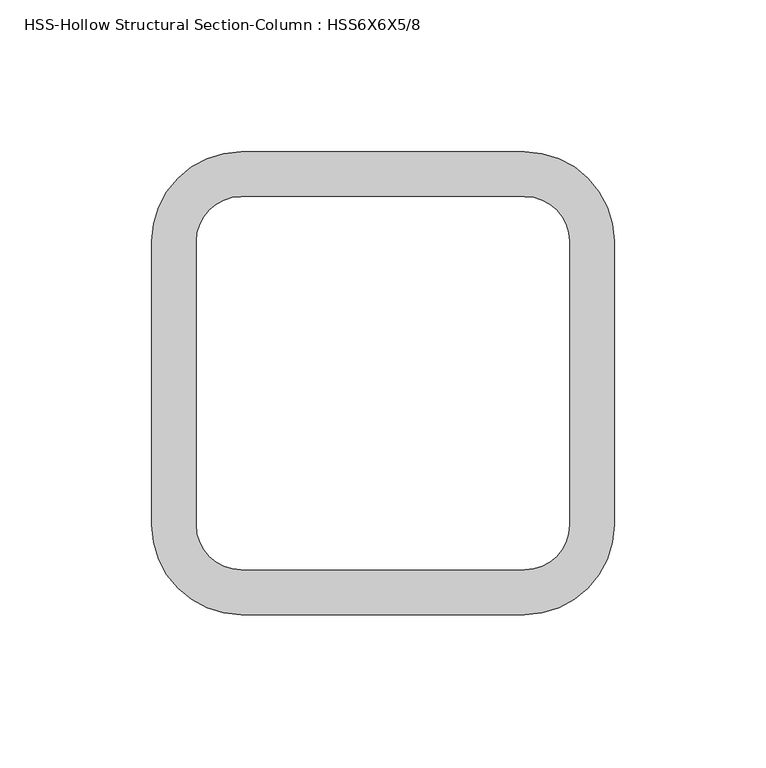
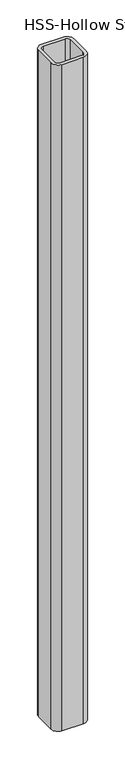
"""IFC4 building model written with IfcOpenShell, lengths in millimetres: column geometry, HSS-Hollow Structural Section-Column : HSS6X6X5/8."""

from ifc_helpers import new_model, si_unit, point, frame, frame_2d, origin, place, context, project, spatial, polyline, circle_curve, trimmed, segment, composite_curve, outline, extrude, source, transform, mapped, element, save


def hss_hollow_structural_section_column_hss6x6x5_8_e76e96aa(model_context):
    return source(origin(), model_context, "Body", "SweptSolid", [
        extrude(outline(composite_curve([segment(trimmed(circle_curve(frame_2d((46.6852, 46.6852)), 29.5148), [point((46.6852, 76.2))], [point((76.2, 46.6852))], False, "CARTESIAN"), True, "CONTINUOUS"), segment(polyline([(76.2, 46.6852), (76.2, -46.6852)]), True, "CONTINUOUS"), segment(trimmed(circle_curve(frame_2d((46.6852, -46.6852)), 29.5148), [point((76.2, -46.6852))], [point((46.6852, -76.2))], False, "CARTESIAN"), True, "CONTINUOUS"), segment(polyline([(46.6852, -76.2), (-46.6852, -76.2)]), True, "CONTINUOUS"), segment(trimmed(circle_curve(frame_2d((-46.6852, -46.6852)), 29.5148), [point((-46.6852, -76.2))], [point((-76.2, -46.6852))], False, "CARTESIAN"), True, "CONTINUOUS"), segment(polyline([(-76.2, -46.6852), (-76.2, 46.6852)]), True, "CONTINUOUS"), segment(trimmed(circle_curve(frame_2d((-46.6852, 46.6852)), 29.5148), [point((-76.2, 46.6852))], [point((-46.6852, 76.2))], False, "CARTESIAN"), True, "CONTINUOUS"), segment(polyline([(-46.6852, 76.2), (46.6852, 76.2)]), True, "CONTINUOUS")], self_intersect=False), holes=[composite_curve([segment(polyline([(46.6852, 61.4426), (-46.6852, 61.4426)]), True, "CONTINUOUS"), segment(trimmed(circle_curve(frame_2d((-46.6852, 46.6852)), 14.7574), [point((-46.6852, 61.4426))], [point((-61.4426, 46.6852))], True, "CARTESIAN"), True, "CONTINUOUS"), segment(polyline([(-61.4426, 46.6852), (-61.4426, -46.6852)]), True, "CONTINUOUS"), segment(trimmed(circle_curve(frame_2d((-46.6852, -46.6852)), 14.7574), [point((-61.4426, -46.6852))], [point((-46.6852, -61.4426))], True, "CARTESIAN"), True, "CONTINUOUS"), segment(polyline([(-46.6852, -61.4426), (46.6852, -61.4426)]), True, "CONTINUOUS"), segment(trimmed(circle_curve(frame_2d((46.6852, -46.6852)), 14.7574), [point((46.6852, -61.4426))], [point((61.4426, -46.6852))], True, "CARTESIAN"), True, "CONTINUOUS"), segment(polyline([(61.4426, -46.6852), (61.4426, 46.6852)]), True, "CONTINUOUS"), segment(trimmed(circle_curve(frame_2d((46.6852, 46.6852)), 14.7574), [point((61.4426, 46.6852))], [point((46.6852, 61.4426))], True, "CARTESIAN"), True, "CONTINUOUS")], self_intersect=False)]), frame((0.0, 0.0, 3048.0), z_axis=(0.0, 0.0, 1.0), x_axis=(1.0, 0.0, 0.0)), (0.0, 0.0, 1.0), 3048.0),
    ])


if __name__ == "__main__":
    model = new_model("IFC4")
    model_context = context("Model", 3, world=origin())
    ifc_project = project(units=[si_unit("LENGTHUNIT", "METRE", prefix="MILLI")], contexts=[model_context])
    site = spatial("IfcSite", under=ifc_project)
    building = spatial("IfcBuilding", under=site)
    placement = place(None, origin())
    hss_hollow_structural_section_column_hss6x6x5_8_shape = hss_hollow_structural_section_column_hss6x6x5_8_e76e96aa(model_context)
    element("IfcColumn", 1, ObjectType="HSS-Hollow Structural Section-Column : HSS6X6X5/8", at=placement, inside=building, context=model_context, shape_type="MappedRepresentation", body=[
        mapped(hss_hollow_structural_section_column_hss6x6x5_8_shape, transform((0.0, 0.0, 0.0), x_axis=(1.0, 0.0, 0.0), y_axis=(0.0, 1.0, 0.0), z_axis=(0.0, 0.0, 1.0))),
    ])
    save(model, "model.ifc")
